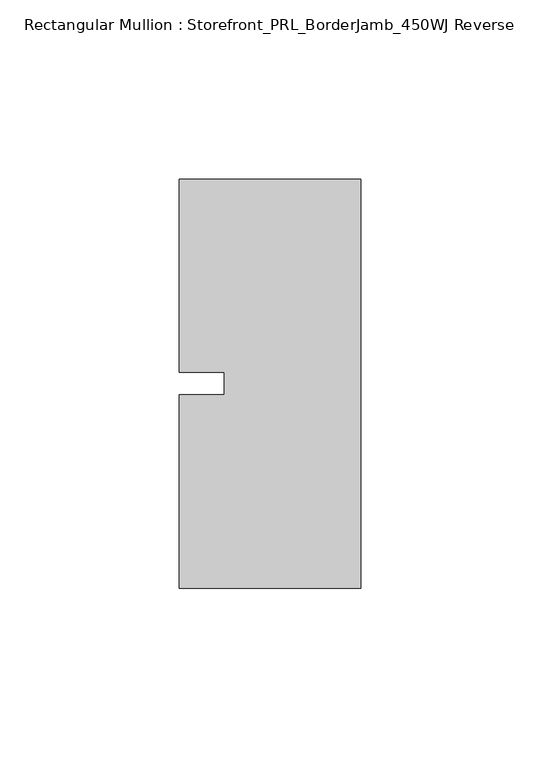
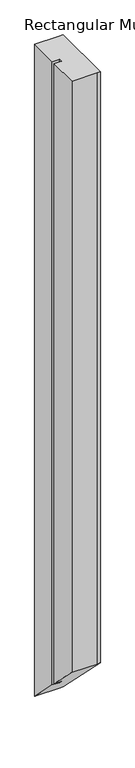
"""IFC4 building model written with IfcOpenShell, lengths in millimetres: member geometry, Rectangular Mullion : Storefront_PRL_BorderJamb_450WJ Reverse."""

from ifc_helpers import new_model, si_unit, origin, place, context, project, spatial, faceted_brep, source, transform, mapped, element, save


def rectangular_mullion_storefront_prl_borderjamb_450wj_reverse_968e1370(model_context):
    return source(origin(), model_context, "Body", "Brep", [
        faceted_brep([(-38.1, -3.175, 0.0), (-50.8, -3.175, 0.0), (-50.8, -57.15, 0.0), (-6.35, -57.15, 0.0), (0.0, -57.15, 0.0), (0.0, 57.15, 0.0), (-7.3958824, 57.15, 0.0), (-50.8, 57.15, 0.0), (-50.8, 3.175, 0.0), (-38.1, 3.175, 0.0), (-38.1, -3.175, -1165.225), (-50.8, -3.175, -1165.225), (-50.8, -57.15, -1111.25), (-6.35, -57.15, -1111.25), (0.0, -57.15, -1111.25), (0.0, 57.15, -1225.55), (-7.3958824, 57.15, -1225.55), (-50.8, 57.15, -1225.55), (-50.8, 3.175, -1171.575), (-38.1, 3.175, -1171.575)], [[[0, 1, 2, 3, 4, 5, 6, 7, 8, 9]], [[1, 0, 10, 11]], [[2, 1, 11, 12]], [[3, 2, 12, 13]], [[4, 3, 13, 14]], [[5, 4, 14, 15]], [[6, 5, 15, 16]], [[7, 6, 16, 17]], [[8, 7, 17, 18]], [[9, 8, 18, 19]], [[0, 9, 19, 10]], [[10, 19, 18, 17, 16, 15, 14, 13, 12, 11]]]),
    ])


if __name__ == "__main__":
    model = new_model("IFC4")
    model_context = context("Model", 3, world=origin())
    ifc_project = project(units=[si_unit("LENGTHUNIT", "METRE", prefix="MILLI")], contexts=[model_context])
    site = spatial("IfcSite", under=ifc_project)
    building = spatial("IfcBuilding", under=site)
    placement = place(None, origin())
    rectangular_mullion_storefront_prl_borderjamb_450wj_reverse_shape = rectangular_mullion_storefront_prl_borderjamb_450wj_reverse_968e1370(model_context)
    element("IfcMember", 1, ObjectType="Rectangular Mullion : Storefront_PRL_BorderJamb_450WJ Reverse", at=placement, inside=building, context=model_context, shape_type="MappedRepresentation", body=[
        mapped(rectangular_mullion_storefront_prl_borderjamb_450wj_reverse_shape, transform((0.0, 0.0, 0.0), x_axis=(1.0, 0.0, 0.0), y_axis=(0.0, 1.0, 0.0), z_axis=(0.0, 0.0, 1.0))),
    ])
    save(model, "model.ifc")
